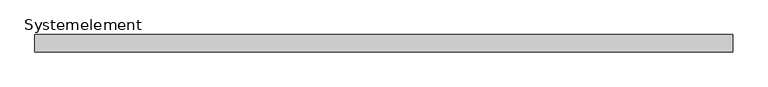
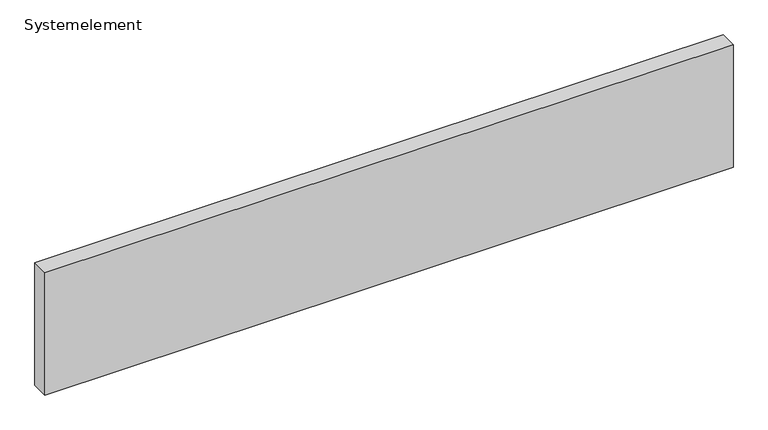
"""IFC4 building model written with IfcOpenShell, lengths in millimetres: plate geometry, Systemelement."""

from ifc_helpers import new_model, si_unit, origin, origin_with_axes, place, context, project, spatial, polyline, outline, extrude, source, transform, mapped, element, save


def systemelement_b4a213f4(model_context):
    return source(origin(), model_context, "Body", "SweptSolid", [
        extrude(outline(polyline([(2000.0, -100.0), (-2000.0, -100.0), (-2000.0, 0.0), (2000.0, 0.0), (2000.0, -100.0)])), origin_with_axes(), (0.0, 0.0, 1.0), 751.6147161),
    ])


if __name__ == "__main__":
    model = new_model("IFC4")
    model_context = context("Model", 3, world=origin())
    ifc_project = project(units=[si_unit("LENGTHUNIT", "METRE", prefix="MILLI")], contexts=[model_context])
    site = spatial("IfcSite", under=ifc_project)
    building = spatial("IfcBuilding", under=site)
    placement = place(None, origin())
    systemelement_shape = systemelement_b4a213f4(model_context)
    element("IfcPlate", 1, ObjectType="Systemelement", at=placement, inside=building, context=model_context, shape_type="MappedRepresentation", body=[
        mapped(systemelement_shape, transform((0.0, 0.0, 0.0), x_axis=(1.0, 0.0, 0.0), y_axis=(0.0, 1.0, 0.0), z_axis=(0.0, 0.0, 1.0))),
    ])
    save(model, "model.ifc")
